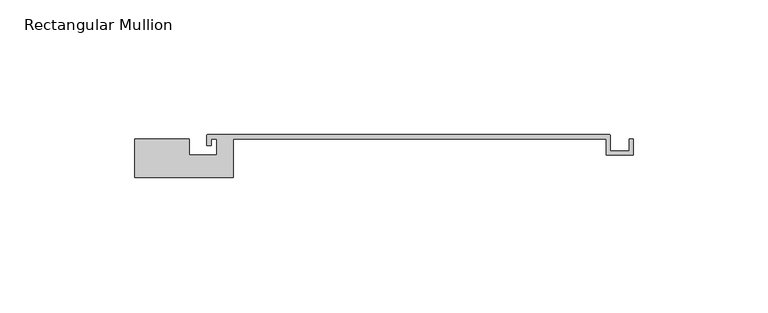
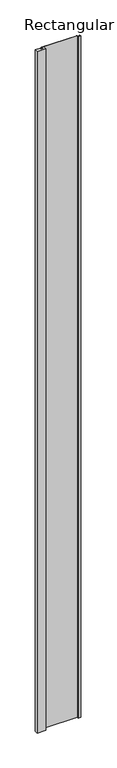
"""IFC4 building model written with IfcOpenShell, lengths in millimetres: member geometry, Rectangular Mullion."""

from ifc_helpers import new_model, si_unit, point, frame, frame_2d, origin, place, context, project, spatial, polyline, circle_curve, trimmed, segment, composite_curve, outline, extrude, source, transform, mapped, element, save


def rectangular_mullion_f0f8a9e8(model_context):
    return source(origin(), model_context, "Body", "SweptSolid", [
        extrude(outline(composite_curve([segment(polyline([(-140.0, 14.2), (-119.7, 14.2), (-119.7, 8.2), (-109.5, 8.2), (-109.5, 14.2), (-111.5, 14.2), (-111.5, 11.8), (-113.1, 11.8), (-113.1, 15.5)]), True, "CONTINUOUS"), segment(trimmed(circle_curve(frame_2d((-112.6, 15.5)), 0.5), [point((-113.1, 15.5))], [point((-112.6, 16.0))], False, "CARTESIAN"), True, "CONTINUOUS"), segment(polyline([(-112.6, 16.0), (36.4, 16.0)]), True, "CONTINUOUS"), segment(trimmed(circle_curve(frame_2d((36.4, 15.5)), 0.5), [point((36.4, 16.0))], [point((36.9, 15.5))], False, "CARTESIAN"), True, "CONTINUOUS"), segment(polyline([(36.9, 15.5), (36.9, 9.8), (43.9, 9.8), (43.9, 14.2), (45.5, 14.2), (45.5, 8.2), (35.3, 8.2), (35.3, 14.2), (-103.2, 14.2), (-103.2, 0.0), (-140.0, 0.0), (-140.0, 14.2)]), True, "CONTINUOUS")], self_intersect=False)), frame((0.0, 0.0, -3000.0), z_axis=(0.0, 0.0, 1.0), x_axis=(1.0, 0.0, 0.0)), (0.0, 0.0, 1.0), 3000.0),
    ])


if __name__ == "__main__":
    model = new_model("IFC4")
    model_context = context("Model", 3, world=origin())
    ifc_project = project(units=[si_unit("LENGTHUNIT", "METRE", prefix="MILLI")], contexts=[model_context])
    site = spatial("IfcSite", under=ifc_project)
    building = spatial("IfcBuilding", under=site)
    placement = place(None, origin())
    rectangular_mullion_shape = rectangular_mullion_f0f8a9e8(model_context)
    element("IfcMember", 1, ObjectType="Rectangular Mullion", at=placement, inside=building, context=model_context, shape_type="MappedRepresentation", body=[
        mapped(rectangular_mullion_shape, transform((0.0, 0.0, 0.0), x_axis=(1.0, 0.0, 0.0), y_axis=(0.0, 1.0, 0.0), z_axis=(0.0, 0.0, 1.0))),
    ])
    save(model, "model.ifc")
